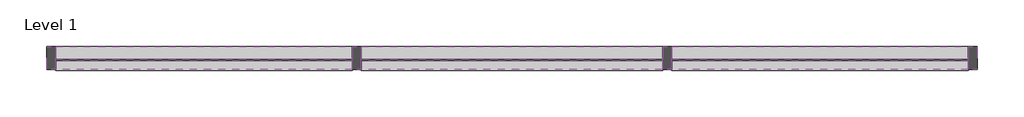
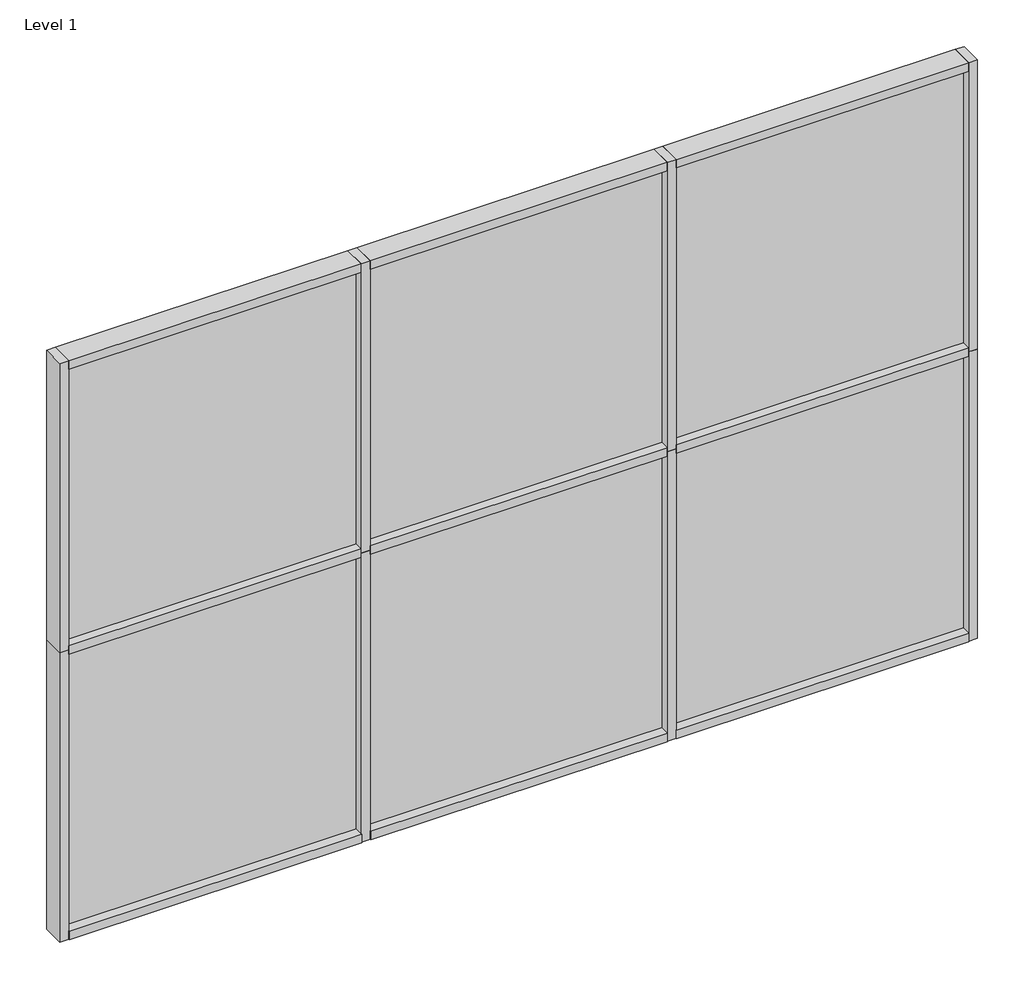
# One storey: 17 members, 6 plates.
"""IFC4 building model written with IfcOpenShell, lengths in millimetres."""

import ifcopenshell
import ifcopenshell.guid

model = None  # the IFC model being written
_history = None  # IfcOwnerHistory: only IFC2X3 demands one
_inside = {}  # id of a spatial element -> (the spatial element, [elements in it])
_under = {}  # id of a project, library or spatial element -> (it, [spatial elements below it])
_declared = {}  # id of a project -> (the project, [libraries it declares])
_typed = {}  # id of a type object -> (the type object, [elements of that type])
_made_of = {}  # id of a material, layer set ... -> (it, [elements and type objects made of it])


def new_model(schema):
    """Start an empty IFC model of exactly this schema.

    Asked for "IFC4X3", IfcOpenShell would pick the latest addendum, in which some entities
    have other attributes; the version numbers below select the first issue.
    IFC2X3 requires an IfcOwnerHistory on every rooted entity: one is made here for all.
    """
    global model, _history
    if schema == "IFC4X3":
        model = ifcopenshell.file(schema_version=(4, 3, 0, 0))
    else:
        model = ifcopenshell.file(schema=schema)
    _inside.clear()
    _under.clear()
    _declared.clear()
    _typed.clear()
    _made_of.clear()
    _history = None
    if model.schema == "IFC2X3":
        org = make("IfcOrganization", Name="unknown")
        user = make(
            "IfcPersonAndOrganization",
            ThePerson=make("IfcPerson", FamilyName="unknown"),
            TheOrganization=org,
        )
        app = make(
            "IfcApplication",
            ApplicationDeveloper=org,
            Version="unknown",
            ApplicationFullName="unknown",
            ApplicationIdentifier="unknown",
        )
        _history = make(
            "IfcOwnerHistory",
            OwningUser=user,
            OwningApplication=app,
            ChangeAction="ADDED",
            CreationDate=0,
        )
    return model


def make(cls, **values):
    """One entity of the class cls with the attributes given. An attribute that is None is left unset."""
    return model.create_entity(
        cls, **{name: value for name, value in values.items() if value is not None}
    )


def rooted(cls, **values):
    """An entity with a GlobalId (a new one), such as an element, a storey or a relation."""
    return make(cls, GlobalId=ifcopenshell.guid.new(), OwnerHistory=_history, **values)


def si_unit(unit_type, name, prefix=None):
    """IfcSIUnit, for example si_unit("LENGTHUNIT", "METRE", prefix="MILLI")."""
    return make("IfcSIUnit", UnitType=unit_type, Prefix=prefix, Name=name)


def assignment(units):
    """IfcUnitAssignment: the units of a project."""
    return None if units is None else make("IfcUnitAssignment", Units=units)


def point(xyz):
    """IfcCartesianPoint."""
    return None if xyz is None else make("IfcCartesianPoint", Coordinates=xyz)


def direction(xyz):
    """IfcDirection."""
    return None if xyz is None else make("IfcDirection", DirectionRatios=xyz)


def frame(location, z_axis=None, x_axis=None):
    """IfcAxis2Placement3D, a coordinate frame: its origin and axes. An axis left out is left unset."""
    return make(
        "IfcAxis2Placement3D",
        Location=point(location),
        Axis=direction(z_axis),
        RefDirection=direction(x_axis),
    )


def origin():
    """The frame at (0, 0, 0) with its axes left unset."""
    return frame((0.0, 0.0, 0.0))


def origin_with_axes():
    """The frame at (0, 0, 0) with the z axis (0, 0, 1) and the x axis (1, 0, 0) written out."""
    return frame((0.0, 0.0, 0.0), z_axis=(0.0, 0.0, 1.0), x_axis=(1.0, 0.0, 0.0))


def place(relative_to, where):
    """IfcLocalPlacement: puts the frame where relative to a parent placement (None: the world)."""
    return make(
        "IfcLocalPlacement", PlacementRelTo=relative_to, RelativePlacement=where
    )


def context(
    kind, dimensions, precision=None, world=None, true_north=None, identifier=None
):
    """IfcGeometricRepresentationContext, for example the 3D "Model" context."""
    return make(
        "IfcGeometricRepresentationContext",
        ContextIdentifier=identifier,
        ContextType=kind,
        CoordinateSpaceDimension=dimensions,
        Precision=precision,
        WorldCoordinateSystem=world,
        TrueNorth=true_north,
    )


def project(units=None, contexts=None):
    """IfcProject with its units and contexts."""
    return rooted(
        "IfcProject",
        Name="project",
        RepresentationContexts=contexts,
        UnitsInContext=assignment(units),
    )


def spatial(cls, under=None, at=None, **own):
    """A site, building, storey or space (cls), placed at a placement, below another one or the project."""
    s = rooted(cls, ObjectPlacement=at, **own)
    if under is not None:
        _under.setdefault(under.id(), (under, []))[1].append(s)
    return s


def polyline(points):
    """IfcPolyline through the points."""
    return make("IfcPolyline", Points=[point(p) for p in points])


def outline(outer, holes=None, kind="AREA"):
    """IfcArbitraryClosedProfileDef: a profile drawn as a closed curve; with holes, ...WithVoids."""
    if holes is None:
        return make("IfcArbitraryClosedProfileDef", ProfileType=kind, OuterCurve=outer)
    return make(
        "IfcArbitraryProfileDefWithVoids",
        ProfileType=kind,
        OuterCurve=outer,
        InnerCurves=holes,
    )


def extrude(swept, where, along, depth):
    """IfcExtrudedAreaSolid: the profile swept, set in the frame where, extruded along a direction by depth."""
    return make(
        "IfcExtrudedAreaSolid",
        SweptArea=swept,
        Position=where,
        ExtrudedDirection=direction(along),
        Depth=depth,
    )


def shape(context_of_items, identifier, shape_type, items):
    """IfcShapeRepresentation: the items that make up one representation, for example the "Body"."""
    return make(
        "IfcShapeRepresentation",
        ContextOfItems=context_of_items,
        RepresentationIdentifier=identifier,
        RepresentationType=shape_type,
        Items=items,
    )


def source(mapping_origin, context_of_items, identifier, shape_type, items):
    """IfcRepresentationMap: a shape defined once, which mapped items show again and again."""
    return make(
        "IfcRepresentationMap",
        MappingOrigin=mapping_origin,
        MappedRepresentation=shape(context_of_items, identifier, shape_type, items),
    )


def transform(
    local_origin,
    x_axis=None,
    y_axis=None,
    z_axis=None,
    scale=None,
    scale2=None,
    scale3=None,
    uniform=True,
):
    """IfcCartesianTransformationOperator3D, or its non-uniform kind. x_axis, y_axis, z_axis: its Axis1, 2, 3."""
    if uniform:
        return make(
            "IfcCartesianTransformationOperator3D",
            Axis1=direction(x_axis),
            Axis2=direction(y_axis),
            LocalOrigin=point(local_origin),
            Scale=scale,
            Axis3=direction(z_axis),
        )
    return make(
        "IfcCartesianTransformationOperator3DnonUniform",
        Axis1=direction(x_axis),
        Axis2=direction(y_axis),
        LocalOrigin=point(local_origin),
        Scale=scale,
        Axis3=direction(z_axis),
        Scale2=scale2,
        Scale3=scale3,
    )


def mapped(mapping_source, mapping_target):
    """IfcMappedItem: shows the shape of a source again, moved by a transform."""
    return make(
        "IfcMappedItem", MappingSource=mapping_source, MappingTarget=mapping_target
    )


def made_of(thing, what):
    """Note that an element or type object is made of a material, layer set ...; save() writes the relation."""
    if what is not None:
        _made_of.setdefault(what.id(), (what, []))[1].append(thing)
    return thing


def element(
    cls,
    number,
    at=None,
    inside=None,
    cuts=None,
    type_object=None,
    material=None,
    context=None,
    identifier="Body",
    shape_type=None,
    held_by="IfcProductDefinitionShape",
    body=None,
    shapes=None,
    **own,
):
    """One element of the class cls, such as IfcWall. Its Tag is "e" and its number.

    at: its placement. inside: the storey or other place that contains it. cuts: it is an
    opening in that element (IfcRelVoidsElement). A single representation is given by context,
    identifier, shape_type and body (its items); several are given by shapes. held_by: the class
    of the entity that holds the representations. save() writes the other relations.
    """
    e = rooted(cls, Tag="e%d" % number, ObjectPlacement=at, **own)
    if body is not None:
        shapes = [shape(context, identifier, shape_type, body)]
    if shapes is not None:
        e.Representation = make(held_by, Representations=shapes)
    if inside is not None:
        _inside.setdefault(inside.id(), (inside, []))[1].append(e)
    if cuts is not None:
        rooted(
            "IfcRelVoidsElement", RelatingBuildingElement=cuts, RelatedOpeningElement=e
        )
    if type_object is not None:
        _typed.setdefault(type_object.id(), (type_object, []))[1].append(e)
    return made_of(e, material)


def aggregate(whole, parts):
    """IfcRelAggregates: a whole, such as a stair, and the parts it consists of."""
    return rooted("IfcRelAggregates", RelatingObject=whole, RelatedObjects=parts)


def save(model, path):
    """Write the relations noted so far, then the file.

    IfcRelAggregates (storeys below a building ...), IfcRelContainedInSpatialStructure (elements
    in a storey), IfcRelDefinesByType, IfcRelAssociatesMaterial and IfcRelDeclares: one each for
    every whole, place, type object, material and project.
    """
    for whole, parts in _under.values():
        aggregate(whole, parts)
    for where, things in _inside.values():
        rooted(
            "IfcRelContainedInSpatialStructure",
            RelatedElements=things,
            RelatingStructure=where,
        )
    for kind, things in _typed.values():
        rooted("IfcRelDefinesByType", RelatedObjects=things, RelatingType=kind)
    for what, things in _made_of.values():
        rooted("IfcRelAssociatesMaterial", RelatedObjects=things, RelatingMaterial=what)
    for by, libraries in _declared.values():
        rooted("IfcRelDeclares", RelatingContext=by, RelatedDefinitions=libraries)
    model.write(path)


def rectangular_mullion_fb939785(model_context):
    return source(origin(), model_context, "Body", "SweptSolid", [
        extrude(outline(polyline([(22.2136654, 57.1666957), (22.2136654, -57.1079043), (-22.225, -57.1079043), (-22.225, 57.1666957), (22.2136654, 57.1666957)])), frame((0.0, 0.0, -1524.0), z_axis=(0.0, 0.0, 1.0), x_axis=(1.0, 0.0, 0.0)), (0.0, 0.0, 1.0), 1524.0),
    ])


def rectangular_mullion_985de098(model_context):
    return source(origin(), model_context, "Body", "SweptSolid", [
        extrude(outline(polyline([(0.0, 57.1666957), (0.0, -57.1079043), (-44.4386654, -57.1079043), (-44.4386654, 57.1666957), (0.0, 57.1666957)])), frame((0.0, 0.0, -1524.0), z_axis=(0.0, 0.0, 1.0), x_axis=(1.0, 0.0, 0.0)), (0.0, 0.0, 1.0), 1524.0),
    ])


def rectangular_mullion_6157d383(model_context):
    return source(origin(), model_context, "Body", "SweptSolid", [
        extrude(outline(polyline([(-44.4386654, 57.1666957), (0.0, 57.1666957), (0.0, -57.1079043), (-44.4386654, -57.1079043), (-44.4386654, 57.1666957)])), frame((0.0, 0.0, -1524.0), z_axis=(0.0, 0.0, 1.0), x_axis=(1.0, 0.0, 0.0)), (0.0, 0.0, 1.0), 1524.0),
    ])


def rectangular_mullion_59f236e5(model_context):
    return source(origin(), model_context, "Body", "SweptSolid", [
        extrude(outline(polyline([(22.2136654, 57.1373), (22.2136654, -57.1079043), (-22.225, -57.1079043), (-22.225, 57.1373), (22.2136654, 57.1373)])), frame((0.0, 0.0, -1457.3363346), z_axis=(0.0, 0.0, 1.0), x_axis=(1.0, 0.0, 0.0)), (0.0, 0.0, 1.0), 1457.3363346),
    ])


def rectangular_mullion_aba5102a(model_context):
    return source(origin(), model_context, "Body", "SweptSolid", [
        extrude(outline(polyline([(0.0, 57.1373), (0.0, -57.1079043), (-44.4386654, -57.1079043), (-44.4386654, 57.1373), (0.0, 57.1373)])), frame((0.0, 0.0, -1457.3363346), z_axis=(0.0, 0.0, 1.0), x_axis=(1.0, 0.0, 0.0)), (0.0, 0.0, 1.0), 1457.3363346),
    ])


def rectangular_mullion_c220ea84(model_context):
    return source(origin(), model_context, "Body", "SweptSolid", [
        extrude(outline(polyline([(-44.4386654, 60.3888684), (0.0, 60.3888684), (0.0, -57.1079043), (-44.4386654, -57.1079043), (-44.4386654, 60.3888684)])), frame((0.0, 0.0, -1457.3363346), z_axis=(0.0, 0.0, 1.0), x_axis=(1.0, 0.0, 0.0)), (0.0, 0.0, 1.0), 1457.3363346),
    ])


def rectangular_mullion_37cebe58(model_context):
    return source(origin(), model_context, "Body", "SweptSolid", [
        extrude(outline(polyline([(22.2136654, 57.1373), (22.2136654, -57.1079043), (-22.225, -57.1079043), (-22.225, 57.1373), (22.2136654, 57.1373)])), frame((0.0, 0.0, -1479.5613346), z_axis=(0.0, 0.0, 1.0), x_axis=(1.0, 0.0, 0.0)), (0.0, 0.0, 1.0), 1479.5613346),
    ])


def rectangular_mullion_7707df29(model_context):
    return source(origin(), model_context, "Body", "SweptSolid", [
        extrude(outline(polyline([(-44.4386654, 60.3888684), (0.0, 60.3888684), (0.0, -57.1079043), (-44.4386654, -57.1079043), (-44.4386654, 60.3888684)])), frame((0.0, 0.0, -1479.5613346), z_axis=(0.0, 0.0, 1.0), x_axis=(1.0, 0.0, 0.0)), (0.0, 0.0, 1.0), 1479.5613346),
    ])


def rectangular_mullion_4f64b893(model_context):
    return source(origin(), model_context, "Body", "SweptSolid", [
        extrude(outline(polyline([(0.0, 57.1373), (0.0, -57.1079043), (-44.4386654, -57.1079043), (-44.4386654, 57.1373), (0.0, 57.1373)])), frame((0.0, 0.0, -1479.5613346), z_axis=(0.0, 0.0, 1.0), x_axis=(1.0, 0.0, 0.0)), (0.0, 0.0, 1.0), 1479.5613346),
    ])


def system_panel_6659272a(model_context):
    return source(origin(), model_context, "Body", "SweptSolid", [
        extrude(outline(polyline([(728.6681673, -12.8), (-728.6681673, -12.8), (-728.6681673, -6.4), (728.6681673, -6.4), (728.6681673, -12.8)])), origin_with_axes(), (0.0, 0.0, 1.0), 1457.3363346),
    ])


def system_panel_18810483(model_context):
    return source(origin(), model_context, "Body", "SweptSolid", [
        extrude(outline(polyline([(728.6681673, -12.8), (-728.6681673, -12.8), (-728.6681673, -6.4), (728.6681673, -6.4), (728.6681673, -12.8)])), origin_with_axes(), (0.0, 0.0, 1.0), 1457.3476692),
    ])


def system_panel_ba1e52da(model_context):
    return source(origin(), model_context, "Body", "SweptSolid", [
        extrude(outline(polyline([(739.7806673, -12.8), (-739.7806673, -12.8), (-739.7806673, -6.4), (739.7806673, -6.4), (739.7806673, -12.8)])), origin_with_axes(), (0.0, 0.0, 1.0), 1457.3363346),
    ])


def system_panel_b80b257b(model_context):
    return source(origin(), model_context, "Body", "SweptSolid", [
        extrude(outline(polyline([(739.7806673, -12.8), (-739.7806673, -12.8), (-739.7806673, -6.4), (739.7806673, -6.4), (739.7806673, -12.8)])), origin_with_axes(), (0.0, 0.0, 1.0), 1457.3476692),
    ])


def system_panel_d644f1e0(model_context):
    return source(origin(), model_context, "Body", "SweptSolid", [
        extrude(outline(polyline([(728.6738346, -12.8), (-728.6738346, -12.8), (-728.6738346, -6.4), (728.6738346, -6.4), (728.6738346, -12.8)])), origin_with_axes(), (0.0, 0.0, 1.0), 1457.3363346),
    ])


def system_panel_717d9785(model_context):
    return source(origin(), model_context, "Body", "SweptSolid", [
        extrude(outline(polyline([(728.6738346, -12.8), (-728.6738346, -12.8), (-728.6738346, -6.4), (728.6738346, -6.4), (728.6738346, -12.8)])), origin_with_axes(), (0.0, 0.0, 1.0), 1457.3476692),
    ])


model = new_model("IFC4")

# Units and contexts
model_context = context("Model", 3, world=origin())
ifc_project = project(units=[si_unit("LENGTHUNIT", "METRE", prefix="MILLI")], contexts=[model_context])

# Site, building, storey
site = spatial("IfcSite", under=ifc_project)
building = spatial("IfcBuilding", under=site)
storey = spatial("IfcBuildingStorey", under=building, Name="Level 1", Elevation=0.0)

# Members
placement = place(None, origin())
rectangular_mullion_shape = rectangular_mullion_fb939785(model_context)
element("IfcMember", 1, ObjectType="Rectangular Mullion", at=placement, inside=storey, context=model_context, shape_type="MappedRepresentation", body=[
    mapped(rectangular_mullion_shape, transform((-2528.4683243, -1084.4347334, 0.0), x_axis=(1.0, 0.0, 0.0), y_axis=(0.0, -1.0, 0.0), z_axis=(0.0, 0.0, -1.0))),
])
element("IfcMember", 2, ObjectType="Rectangular Mullion", at=placement, inside=storey, context=model_context, shape_type="MappedRepresentation", body=[
    mapped(rectangular_mullion_shape, transform((-1004.4683243, -1084.4347334, 0.0), x_axis=(1.0, 0.0, 0.0), y_axis=(0.0, -1.0, 0.0), z_axis=(0.0, 0.0, -1.0))),
])
rectangular_mullion_2_shape = rectangular_mullion_985de098(model_context)
element("IfcMember", 3, ObjectType="Rectangular Mullion", at=placement, inside=storey, context=model_context, shape_type="MappedRepresentation", body=[
    mapped(rectangular_mullion_2_shape, transform((519.5316757, -1084.4347334, 0.0), x_axis=(1.0, 0.0, 0.0), y_axis=(0.0, -1.0, 0.0), z_axis=(0.0, 0.0, -1.0))),
])
rectangular_mullion_3_shape = rectangular_mullion_6157d383(model_context)
element("IfcMember", 4, ObjectType="Rectangular Mullion", at=placement, inside=storey, context=model_context, shape_type="MappedRepresentation", body=[
    mapped(rectangular_mullion_3_shape, transform((-4052.4683243, -1084.4347334, 1524.0), x_axis=(-1.0, 0.0, 0.0), y_axis=(0.0, -1.0, 0.0), z_axis=(0.0, 0.0, 1.0))),
])
element("IfcMember", 5, ObjectType="Rectangular Mullion", at=placement, inside=storey, context=model_context, shape_type="MappedRepresentation", body=[
    mapped(rectangular_mullion_shape, transform((-2528.4683243, -1084.4347334, 1524.0), x_axis=(1.0, 0.0, 0.0), y_axis=(0.0, -1.0, 0.0), z_axis=(0.0, 0.0, -1.0))),
])
element("IfcMember", 6, ObjectType="Rectangular Mullion", at=placement, inside=storey, context=model_context, shape_type="MappedRepresentation", body=[
    mapped(rectangular_mullion_shape, transform((-1004.4683243, -1084.4347334, 1524.0), x_axis=(1.0, 0.0, 0.0), y_axis=(0.0, -1.0, 0.0), z_axis=(0.0, 0.0, -1.0))),
])
element("IfcMember", 7, ObjectType="Rectangular Mullion", at=placement, inside=storey, context=model_context, shape_type="MappedRepresentation", body=[
    mapped(rectangular_mullion_2_shape, transform((519.5316757, -1084.4347334, 1524.0), x_axis=(1.0, 0.0, 0.0), y_axis=(0.0, -1.0, 0.0), z_axis=(0.0, 0.0, -1.0))),
])
element("IfcMember", 8, ObjectType="Rectangular Mullion", at=placement, inside=storey, context=model_context, shape_type="MappedRepresentation", body=[
    mapped(rectangular_mullion_3_shape, transform((-4052.4683243, -1084.4347334, 3048.0), x_axis=(-1.0, 0.0, 0.0), y_axis=(0.0, -1.0, 0.0), z_axis=(0.0, 0.0, 1.0))),
])
rectangular_mullion_4_shape = rectangular_mullion_59f236e5(model_context)
element("IfcMember", 9, ObjectType="Rectangular Mullion", at=placement, inside=storey, context=model_context, shape_type="MappedRepresentation", body=[
    mapped(rectangular_mullion_4_shape, transform((-2550.6933243, -1084.4347334, 1524.0), x_axis=(0.0, 0.0, 1.0), y_axis=(0.0, -1.0, 0.0), z_axis=(1.0, 0.0, 0.0))),
])
element("IfcMember", 10, ObjectType="Rectangular Mullion", at=placement, inside=storey, context=model_context, shape_type="MappedRepresentation", body=[
    mapped(rectangular_mullion_4_shape, transform((475.0930103, -1084.4347334, 1524.0), x_axis=(0.0, 0.0, 1.0), y_axis=(0.0, -1.0, 0.0), z_axis=(1.0, 0.0, 0.0))),
])
rectangular_mullion_5_shape = rectangular_mullion_aba5102a(model_context)
element("IfcMember", 11, ObjectType="Rectangular Mullion", at=placement, inside=storey, context=model_context, shape_type="MappedRepresentation", body=[
    mapped(rectangular_mullion_5_shape, transform((475.0930103, -1084.4347334, 3048.0), x_axis=(0.0, 0.0, 1.0), y_axis=(0.0, -1.0, 0.0), z_axis=(1.0, 0.0, 0.0))),
])
element("IfcMember", 12, ObjectType="Rectangular Mullion", at=placement, inside=storey, context=model_context, shape_type="MappedRepresentation", body=[
    mapped(rectangular_mullion_5_shape, transform((-2550.6933243, -1084.4347334, 3048.0), x_axis=(0.0, 0.0, 1.0), y_axis=(0.0, -1.0, 0.0), z_axis=(1.0, 0.0, 0.0))),
])
rectangular_mullion_6_shape = rectangular_mullion_c220ea84(model_context)
element("IfcMember", 13, ObjectType="Rectangular Mullion", at=placement, inside=storey, context=model_context, shape_type="MappedRepresentation", body=[
    mapped(rectangular_mullion_6_shape, transform((-4008.0296589, -1084.4347334, 0.0), x_axis=(0.0, 0.0, -1.0), y_axis=(0.0, -1.0, 0.0), z_axis=(-1.0, 0.0, 0.0))),
])
element("IfcMember", 14, ObjectType="Rectangular Mullion", at=placement, inside=storey, context=model_context, shape_type="MappedRepresentation", body=[
    mapped(rectangular_mullion_6_shape, transform((-982.2546589, -1084.4347334, 0.0), x_axis=(0.0, 0.0, -1.0), y_axis=(0.0, -1.0, 0.0), z_axis=(-1.0, 0.0, 0.0))),
])
rectangular_mullion_7_shape = rectangular_mullion_37cebe58(model_context)
element("IfcMember", 15, ObjectType="Rectangular Mullion", at=placement, inside=storey, context=model_context, shape_type="MappedRepresentation", body=[
    mapped(rectangular_mullion_7_shape, transform((-1026.6933243, -1084.4347334, 1524.0), x_axis=(0.0, 0.0, 1.0), y_axis=(0.0, -1.0, 0.0), z_axis=(1.0, 0.0, 0.0))),
])
rectangular_mullion_8_shape = rectangular_mullion_7707df29(model_context)
element("IfcMember", 16, ObjectType="Rectangular Mullion", at=placement, inside=storey, context=model_context, shape_type="MappedRepresentation", body=[
    mapped(rectangular_mullion_8_shape, transform((-2506.2546589, -1084.4347334, 0.0), x_axis=(0.0, 0.0, -1.0), y_axis=(0.0, -1.0, 0.0), z_axis=(-1.0, 0.0, 0.0))),
])
rectangular_mullion_9_shape = rectangular_mullion_4f64b893(model_context)
element("IfcMember", 17, ObjectType="Rectangular Mullion", at=placement, inside=storey, context=model_context, shape_type="MappedRepresentation", body=[
    mapped(rectangular_mullion_9_shape, transform((-1026.6933243, -1084.4347334, 3048.0), x_axis=(0.0, 0.0, 1.0), y_axis=(0.0, -1.0, 0.0), z_axis=(1.0, 0.0, 0.0))),
])

# Plates
system_panel_shape = system_panel_6659272a(model_context)
element("IfcPlate", 18, ObjectType="System Panel", at=placement, inside=storey, context=model_context, shape_type="MappedRepresentation", body=[
    mapped(system_panel_shape, transform((-3279.3614916, -1084.4347334, 44.4386654), x_axis=(1.0, 0.0, 0.0), y_axis=(0.0, 1.0, 0.0), z_axis=(0.0, 0.0, 1.0))),
])
system_panel_2_shape = system_panel_18810483(model_context)
element("IfcPlate", 19, ObjectType="System Panel", at=placement, inside=storey, context=model_context, shape_type="MappedRepresentation", body=[
    mapped(system_panel_2_shape, transform((-3279.3614916, -1084.4347334, 1546.2136654), x_axis=(1.0, 0.0, 0.0), y_axis=(0.0, 1.0, 0.0), z_axis=(0.0, 0.0, 1.0))),
])
system_panel_3_shape = system_panel_ba1e52da(model_context)
element("IfcPlate", 20, ObjectType="System Panel", at=placement, inside=storey, context=model_context, shape_type="MappedRepresentation", body=[
    mapped(system_panel_3_shape, transform((-1766.4739916, -1084.4347334, 44.4386654), x_axis=(1.0, 0.0, 0.0), y_axis=(0.0, 1.0, 0.0), z_axis=(0.0, 0.0, 1.0))),
])
system_panel_4_shape = system_panel_b80b257b(model_context)
element("IfcPlate", 21, ObjectType="System Panel", at=placement, inside=storey, context=model_context, shape_type="MappedRepresentation", body=[
    mapped(system_panel_4_shape, transform((-1766.4739916, -1084.4347334, 1546.2136654), x_axis=(1.0, 0.0, 0.0), y_axis=(0.0, 1.0, 0.0), z_axis=(0.0, 0.0, 1.0))),
])
system_panel_5_shape = system_panel_d644f1e0(model_context)
element("IfcPlate", 22, ObjectType="System Panel", at=placement, inside=storey, context=model_context, shape_type="MappedRepresentation", body=[
    mapped(system_panel_5_shape, transform((-253.5808243, -1084.4347334, 44.4386654), x_axis=(1.0, 0.0, 0.0), y_axis=(0.0, 1.0, 0.0), z_axis=(0.0, 0.0, 1.0))),
])
system_panel_6_shape = system_panel_717d9785(model_context)
element("IfcPlate", 23, ObjectType="System Panel", at=placement, inside=storey, context=model_context, shape_type="MappedRepresentation", body=[
    mapped(system_panel_6_shape, transform((-253.5808243, -1084.4347334, 1546.2136654), x_axis=(1.0, 0.0, 0.0), y_axis=(0.0, 1.0, 0.0), z_axis=(0.0, 0.0, 1.0))),
])

save(model, "model.ifc")
